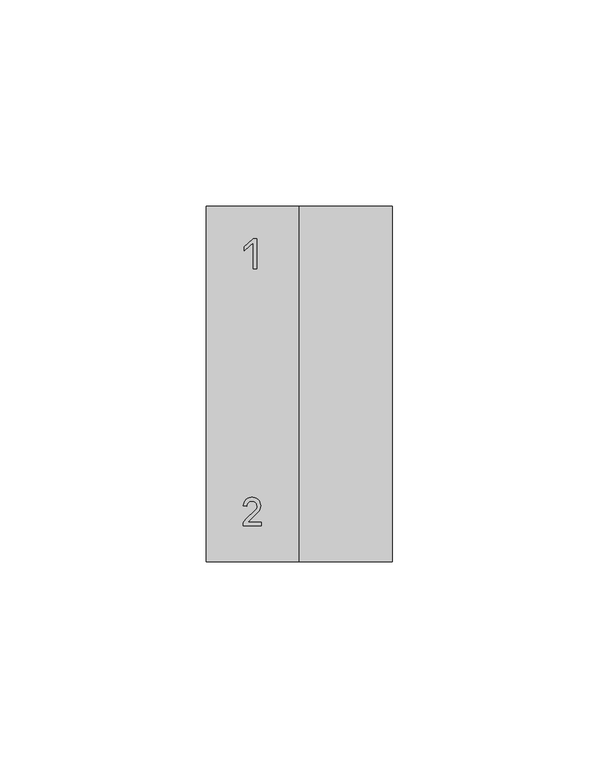
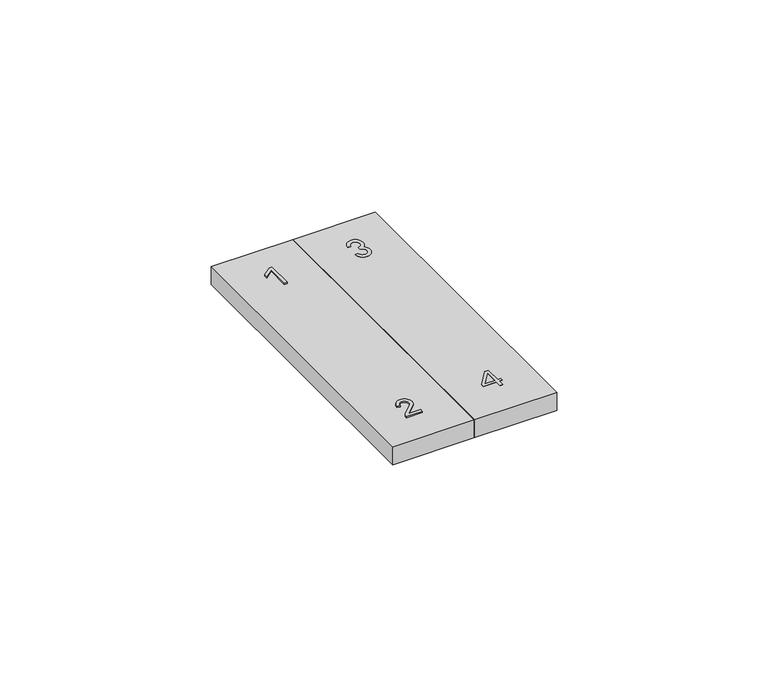
"""IFC4 building model written with IfcOpenShell, lengths in millimetres: proxy geometry."""

import ifcopenshell
import ifcopenshell.guid

model = None  # the IFC model being written
_history = None  # IfcOwnerHistory: only IFC2X3 demands one
_inside = {}  # id of a spatial element -> (the spatial element, [elements in it])
_under = {}  # id of a project, library or spatial element -> (it, [spatial elements below it])
_declared = {}  # id of a project -> (the project, [libraries it declares])
_typed = {}  # id of a type object -> (the type object, [elements of that type])
_made_of = {}  # id of a material, layer set ... -> (it, [elements and type objects made of it])


def new_model(schema):
    """Start an empty IFC model of exactly this schema.

    Asked for "IFC4X3", IfcOpenShell would pick the latest addendum, in which some entities
    have other attributes; the version numbers below select the first issue.
    IFC2X3 requires an IfcOwnerHistory on every rooted entity: one is made here for all.
    """
    global model, _history
    if schema == "IFC4X3":
        model = ifcopenshell.file(schema_version=(4, 3, 0, 0))
    else:
        model = ifcopenshell.file(schema=schema)
    _inside.clear()
    _under.clear()
    _declared.clear()
    _typed.clear()
    _made_of.clear()
    _history = None
    if model.schema == "IFC2X3":
        org = make("IfcOrganization", Name="unknown")
        user = make(
            "IfcPersonAndOrganization",
            ThePerson=make("IfcPerson", FamilyName="unknown"),
            TheOrganization=org,
        )
        app = make(
            "IfcApplication",
            ApplicationDeveloper=org,
            Version="unknown",
            ApplicationFullName="unknown",
            ApplicationIdentifier="unknown",
        )
        _history = make(
            "IfcOwnerHistory",
            OwningUser=user,
            OwningApplication=app,
            ChangeAction="ADDED",
            CreationDate=0,
        )
    return model


def make(cls, **values):
    """One entity of the class cls with the attributes given. An attribute that is None is left unset."""
    return model.create_entity(
        cls, **{name: value for name, value in values.items() if value is not None}
    )


def rooted(cls, **values):
    """An entity with a GlobalId (a new one), such as an element, a storey or a relation."""
    return make(cls, GlobalId=ifcopenshell.guid.new(), OwnerHistory=_history, **values)


def si_unit(unit_type, name, prefix=None):
    """IfcSIUnit, for example si_unit("LENGTHUNIT", "METRE", prefix="MILLI")."""
    return make("IfcSIUnit", UnitType=unit_type, Prefix=prefix, Name=name)


def assignment(units):
    """IfcUnitAssignment: the units of a project."""
    return None if units is None else make("IfcUnitAssignment", Units=units)


def point(xyz):
    """IfcCartesianPoint."""
    return None if xyz is None else make("IfcCartesianPoint", Coordinates=xyz)


def direction(xyz):
    """IfcDirection."""
    return None if xyz is None else make("IfcDirection", DirectionRatios=xyz)


def frame(location, z_axis=None, x_axis=None):
    """IfcAxis2Placement3D, a coordinate frame: its origin and axes. An axis left out is left unset."""
    return make(
        "IfcAxis2Placement3D",
        Location=point(location),
        Axis=direction(z_axis),
        RefDirection=direction(x_axis),
    )


def frame_2d(location, x_axis=None):
    """IfcAxis2Placement2D, a coordinate frame in the plane: its origin and x axis."""
    return make(
        "IfcAxis2Placement2D", Location=point(location), RefDirection=direction(x_axis)
    )


def origin():
    """The frame at (0, 0, 0) with its axes left unset."""
    return frame((0.0, 0.0, 0.0))


def place(relative_to, where):
    """IfcLocalPlacement: puts the frame where relative to a parent placement (None: the world)."""
    return make(
        "IfcLocalPlacement", PlacementRelTo=relative_to, RelativePlacement=where
    )


def context(
    kind, dimensions, precision=None, world=None, true_north=None, identifier=None
):
    """IfcGeometricRepresentationContext, for example the 3D "Model" context."""
    return make(
        "IfcGeometricRepresentationContext",
        ContextIdentifier=identifier,
        ContextType=kind,
        CoordinateSpaceDimension=dimensions,
        Precision=precision,
        WorldCoordinateSystem=world,
        TrueNorth=true_north,
    )


def project(units=None, contexts=None):
    """IfcProject with its units and contexts."""
    return rooted(
        "IfcProject",
        Name="project",
        RepresentationContexts=contexts,
        UnitsInContext=assignment(units),
    )


def spatial(cls, under=None, at=None, **own):
    """A site, building, storey or space (cls), placed at a placement, below another one or the project."""
    s = rooted(cls, ObjectPlacement=at, **own)
    if under is not None:
        _under.setdefault(under.id(), (under, []))[1].append(s)
    return s


def polyline(points):
    """IfcPolyline through the points."""
    return make("IfcPolyline", Points=[point(p) for p in points])


def circle_curve(where, radius):
    """IfcCircle in the frame where."""
    return make("IfcCircle", Position=where, Radius=radius)


def trimmed(basis, trim1, trim2, sense, master):
    """IfcTrimmedCurve: the piece of a basis curve between two trims."""
    return make(
        "IfcTrimmedCurve",
        BasisCurve=basis,
        Trim1=trim1,
        Trim2=trim2,
        SenseAgreement=sense,
        MasterRepresentation=master,
    )


def segment(curve, same_sense, transition):
    """IfcCompositeCurveSegment."""
    return make(
        "IfcCompositeCurveSegment",
        Transition=transition,
        SameSense=same_sense,
        ParentCurve=curve,
    )


def composite_curve(segments, self_intersect=None):
    """IfcCompositeCurve: segments joined end to end."""
    return make("IfcCompositeCurve", Segments=segments, SelfIntersect=self_intersect)


def outline(outer, holes=None, kind="AREA"):
    """IfcArbitraryClosedProfileDef: a profile drawn as a closed curve; with holes, ...WithVoids."""
    if holes is None:
        return make("IfcArbitraryClosedProfileDef", ProfileType=kind, OuterCurve=outer)
    return make(
        "IfcArbitraryProfileDefWithVoids",
        ProfileType=kind,
        OuterCurve=outer,
        InnerCurves=holes,
    )


def extrude(swept, where, along, depth):
    """IfcExtrudedAreaSolid: the profile swept, set in the frame where, extruded along a direction by depth."""
    return make(
        "IfcExtrudedAreaSolid",
        SweptArea=swept,
        Position=where,
        ExtrudedDirection=direction(along),
        Depth=depth,
    )


def shape(context_of_items, identifier, shape_type, items):
    """IfcShapeRepresentation: the items that make up one representation, for example the "Body"."""
    return make(
        "IfcShapeRepresentation",
        ContextOfItems=context_of_items,
        RepresentationIdentifier=identifier,
        RepresentationType=shape_type,
        Items=items,
    )


def source(mapping_origin, context_of_items, identifier, shape_type, items):
    """IfcRepresentationMap: a shape defined once, which mapped items show again and again."""
    return make(
        "IfcRepresentationMap",
        MappingOrigin=mapping_origin,
        MappedRepresentation=shape(context_of_items, identifier, shape_type, items),
    )


def transform(
    local_origin,
    x_axis=None,
    y_axis=None,
    z_axis=None,
    scale=None,
    scale2=None,
    scale3=None,
    uniform=True,
):
    """IfcCartesianTransformationOperator3D, or its non-uniform kind. x_axis, y_axis, z_axis: its Axis1, 2, 3."""
    if uniform:
        return make(
            "IfcCartesianTransformationOperator3D",
            Axis1=direction(x_axis),
            Axis2=direction(y_axis),
            LocalOrigin=point(local_origin),
            Scale=scale,
            Axis3=direction(z_axis),
        )
    return make(
        "IfcCartesianTransformationOperator3DnonUniform",
        Axis1=direction(x_axis),
        Axis2=direction(y_axis),
        LocalOrigin=point(local_origin),
        Scale=scale,
        Axis3=direction(z_axis),
        Scale2=scale2,
        Scale3=scale3,
    )


def mapped(mapping_source, mapping_target):
    """IfcMappedItem: shows the shape of a source again, moved by a transform."""
    return make(
        "IfcMappedItem", MappingSource=mapping_source, MappingTarget=mapping_target
    )


def made_of(thing, what):
    """Note that an element or type object is made of a material, layer set ...; save() writes the relation."""
    if what is not None:
        _made_of.setdefault(what.id(), (what, []))[1].append(thing)
    return thing


def element(
    cls,
    number,
    at=None,
    inside=None,
    cuts=None,
    type_object=None,
    material=None,
    context=None,
    identifier="Body",
    shape_type=None,
    held_by="IfcProductDefinitionShape",
    body=None,
    shapes=None,
    **own,
):
    """One element of the class cls, such as IfcWall. Its Tag is "e" and its number.

    at: its placement. inside: the storey or other place that contains it. cuts: it is an
    opening in that element (IfcRelVoidsElement). A single representation is given by context,
    identifier, shape_type and body (its items); several are given by shapes. held_by: the class
    of the entity that holds the representations. save() writes the other relations.
    """
    e = rooted(cls, Tag="e%d" % number, ObjectPlacement=at, **own)
    if body is not None:
        shapes = [shape(context, identifier, shape_type, body)]
    if shapes is not None:
        e.Representation = make(held_by, Representations=shapes)
    if inside is not None:
        _inside.setdefault(inside.id(), (inside, []))[1].append(e)
    if cuts is not None:
        rooted(
            "IfcRelVoidsElement", RelatingBuildingElement=cuts, RelatedOpeningElement=e
        )
    if type_object is not None:
        _typed.setdefault(type_object.id(), (type_object, []))[1].append(e)
    return made_of(e, material)


def aggregate(whole, parts):
    """IfcRelAggregates: a whole, such as a stair, and the parts it consists of."""
    return rooted("IfcRelAggregates", RelatingObject=whole, RelatedObjects=parts)


def save(model, path):
    """Write the relations noted so far, then the file.

    IfcRelAggregates (storeys below a building ...), IfcRelContainedInSpatialStructure (elements
    in a storey), IfcRelDefinesByType, IfcRelAssociatesMaterial and IfcRelDeclares: one each for
    every whole, place, type object, material and project.
    """
    for whole, parts in _under.values():
        aggregate(whole, parts)
    for where, things in _inside.values():
        rooted(
            "IfcRelContainedInSpatialStructure",
            RelatedElements=things,
            RelatingStructure=where,
        )
    for kind, things in _typed.values():
        rooted("IfcRelDefinesByType", RelatedObjects=things, RelatingType=kind)
    for what, things in _made_of.values():
        rooted("IfcRelAssociatesMaterial", RelatedObjects=things, RelatingMaterial=what)
    for by, libraries in _declared.values():
        rooted("IfcRelDeclares", RelatingContext=by, RelatedDefinitions=libraries)
    model.write(path)


def electrical_fixtures_7cf3b99d(model_context):
    return source(origin(), model_context, "Body", "SweptSolid", [
        extrude(outline(polyline([(22.5, 0.0), (22.5, 86.0), (45.0, 86.0), (45.0, 0.0), (22.5, 0.0)])), frame((0.0, 0.0, 5.5), z_axis=(0.0, 0.0, 1.0), x_axis=(1.0, 0.0, 0.0)), (0.0, 0.0, 1.0), 5.2),
        extrude(outline(polyline([(12.1702283, 78.1984791), (12.1702283, 70.965348), (11.3702283, 70.965348), (11.3702283, 77.2422291), (9.1062416, 75.3259568), (9.1062416, 76.2822068), (11.3702283, 78.1984791), (12.1702283, 78.1984791)])), frame((0.0, 0.0, 10.7), z_axis=(0.0, 0.0, 1.0), x_axis=(1.0, 0.0, 0.0)), (0.0, 0.0, 1.0), 0.3645143),
        extrude(outline(composite_curve([segment(trimmed(circle_curve(frame_2d((11.0287403, 13.3960726)), 1.2347836), [point((12.0640106, 12.7230897))], [point((9.7939567, 13.3960726))], True, "CARTESIAN"), True, "CONTINUOUS"), segment(polyline([(9.7939567, 13.3960726), (8.961892, 13.5000807)]), True, "CONTINUOUS"), segment(trimmed(circle_curve(frame_2d((11.0454228, 13.5000807)), 2.0835308), [point((8.961892, 13.5000807))], [point((13.1289536, 13.5000807))], False, "CARTESIAN"), True, "CONTINUOUS"), segment(trimmed(circle_curve(frame_2d((10.8533283, 13.5000807)), 2.2756253), [point((13.1289536, 13.5000807))], [point((12.4827283, 11.9115197))], False, "CARTESIAN"), True, "CONTINUOUS"), segment(polyline([(12.4827283, 11.9115197), (9.9580944, 9.5477734), (13.2262236, 9.5477734), (13.2262236, 8.7157087), (8.8578839, 8.7157087)]), True, "CONTINUOUS"), segment(trimmed(circle_curve(frame_2d((10.7682494, 8.7856707)), 1.9116462), [point((8.8578839, 8.7157087))], [point((9.4526801, 10.1726345))], False, "CARTESIAN"), True, "CONTINUOUS"), segment(polyline([(9.4526801, 10.1726345), (12.0640106, 12.7230897)]), True, "CONTINUOUS")], self_intersect=False)), frame((0.0, 0.0, 10.7), z_axis=(0.0, 0.0, 1.0), x_axis=(1.0, 0.0, 0.0)), (0.0, 0.0, 1.0), 0.3645143),
        extrude(outline(composite_curve([segment(trimmed(circle_curve(frame_2d((33.84278, 76.1586243)), 1.2347836), [point((33.84278, 74.9238407))], [point((32.6079964, 76.1586243))], True, "CARTESIAN"), True, "CONTINUOUS"), segment(polyline([(32.6079964, 76.1586243), (31.7759317, 76.2626324)]), True, "CONTINUOUS"), segment(trimmed(circle_curve(frame_2d((33.8594625, 76.2626324)), 2.0835308), [point((31.7759317, 76.2626324))], [point((35.9429933, 76.2626324))], False, "CARTESIAN"), True, "CONTINUOUS"), segment(trimmed(circle_curve(frame_2d((33.667368, 76.2626324)), 2.2756253), [point((35.9429933, 76.2626324))], [point((35.1282256, 74.5178213))], False, "CARTESIAN"), True, "CONTINUOUS"), segment(trimmed(circle_curve(frame_2d((33.667368, 72.7730103)), 2.2756253), [point((35.1282256, 74.5178213))], [point((35.9429933, 72.7730103))], False, "CARTESIAN"), True, "CONTINUOUS"), segment(trimmed(circle_curve(frame_2d((33.8594625, 72.7730103)), 2.0835308), [point((35.9429933, 72.7730103))], [point((31.7759317, 72.7730103))], False, "CARTESIAN"), True, "CONTINUOUS"), segment(polyline([(31.7759317, 72.7730103), (32.6079964, 72.8770184)]), True, "CONTINUOUS"), segment(trimmed(circle_curve(frame_2d((33.84278, 72.8770184)), 1.2347836), [point((32.6079964, 72.8770184))], [point((33.84278, 74.111802))], True, "CARTESIAN"), True, "CONTINUOUS"), segment(polyline([(33.84278, 74.111802), (33.84278, 74.9238407)]), True, "CONTINUOUS")], self_intersect=False)), frame((0.0, 0.0, 10.7), z_axis=(0.0, 0.0, 1.0), x_axis=(1.0, 0.0, 0.0)), (0.0, 0.0, 1.0), 0.3645143),
        extrude(outline(polyline([(35.2135054, 15.5066955), (35.2135054, 11.2109967), (36.0379595, 11.2109967), (36.0379595, 10.3865426), (35.2135054, 10.3865426), (35.2135054, 8.7039723), (34.3890512, 8.7039723), (34.3890512, 10.3865426), (30.8339988, 10.3865426), (30.8339988, 11.2109967), (34.1631654, 15.5066955), (35.2135054, 15.5066955)]), holes=[polyline([(34.3890512, 14.5436509), (31.8063496, 11.2109967), (34.3890512, 11.2109967), (34.3890512, 14.5436509)])]), frame((0.0, 0.0, 10.7), z_axis=(0.0, 0.0, 1.0), x_axis=(1.0, 0.0, 0.0)), (0.0, 0.0, 1.0), 0.3645143),
        extrude(outline(polyline([(0.0, 0.0), (0.0, 86.0), (22.5, 86.0), (22.5, 0.0), (0.0, 0.0)])), frame((0.0, 0.0, 5.5), z_axis=(0.0, 0.0, 1.0), x_axis=(1.0, 0.0, 0.0)), (0.0, 0.0, 1.0), 5.2),
    ])


if __name__ == "__main__":
    model = new_model("IFC4")
    model_context = context("Model", 3, world=origin())
    ifc_project = project(units=[si_unit("LENGTHUNIT", "METRE", prefix="MILLI")], contexts=[model_context])
    site = spatial("IfcSite", under=ifc_project)
    building = spatial("IfcBuilding", under=site)
    placement = place(None, origin())
    electrical_fixtures_shape = electrical_fixtures_7cf3b99d(model_context)
    element("IfcBuildingElementProxy", 1, Name="Electrical Fixtures", at=placement, inside=building, context=model_context, shape_type="MappedRepresentation", body=[
        mapped(electrical_fixtures_shape, transform((0.0, 0.0, 0.0), x_axis=(1.0, 0.0, 0.0), y_axis=(0.0, 1.0, 0.0), z_axis=(0.0, 0.0, 1.0))),
    ])
    save(model, "model.ifc")
